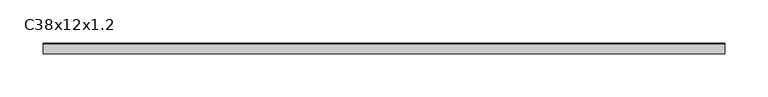
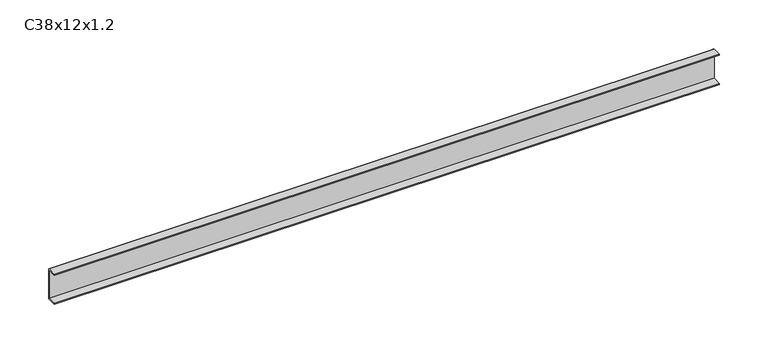
"""IFC4 building model written with IfcOpenShell, lengths in millimetres: proxy geometry, C38x12x1.2."""

import ifcopenshell
import ifcopenshell.guid

model = None  # the IFC model being written
_history = None  # IfcOwnerHistory: only IFC2X3 demands one
_inside = {}  # id of a spatial element -> (the spatial element, [elements in it])
_under = {}  # id of a project, library or spatial element -> (it, [spatial elements below it])
_declared = {}  # id of a project -> (the project, [libraries it declares])
_typed = {}  # id of a type object -> (the type object, [elements of that type])
_made_of = {}  # id of a material, layer set ... -> (it, [elements and type objects made of it])


def new_model(schema):
    """Start an empty IFC model of exactly this schema.

    Asked for "IFC4X3", IfcOpenShell would pick the latest addendum, in which some entities
    have other attributes; the version numbers below select the first issue.
    IFC2X3 requires an IfcOwnerHistory on every rooted entity: one is made here for all.
    """
    global model, _history
    if schema == "IFC4X3":
        model = ifcopenshell.file(schema_version=(4, 3, 0, 0))
    else:
        model = ifcopenshell.file(schema=schema)
    _inside.clear()
    _under.clear()
    _declared.clear()
    _typed.clear()
    _made_of.clear()
    _history = None
    if model.schema == "IFC2X3":
        org = make("IfcOrganization", Name="unknown")
        user = make(
            "IfcPersonAndOrganization",
            ThePerson=make("IfcPerson", FamilyName="unknown"),
            TheOrganization=org,
        )
        app = make(
            "IfcApplication",
            ApplicationDeveloper=org,
            Version="unknown",
            ApplicationFullName="unknown",
            ApplicationIdentifier="unknown",
        )
        _history = make(
            "IfcOwnerHistory",
            OwningUser=user,
            OwningApplication=app,
            ChangeAction="ADDED",
            CreationDate=0,
        )
    return model


def make(cls, **values):
    """One entity of the class cls with the attributes given. An attribute that is None is left unset."""
    return model.create_entity(
        cls, **{name: value for name, value in values.items() if value is not None}
    )


def rooted(cls, **values):
    """An entity with a GlobalId (a new one), such as an element, a storey or a relation."""
    return make(cls, GlobalId=ifcopenshell.guid.new(), OwnerHistory=_history, **values)


def si_unit(unit_type, name, prefix=None):
    """IfcSIUnit, for example si_unit("LENGTHUNIT", "METRE", prefix="MILLI")."""
    return make("IfcSIUnit", UnitType=unit_type, Prefix=prefix, Name=name)


def assignment(units):
    """IfcUnitAssignment: the units of a project."""
    return None if units is None else make("IfcUnitAssignment", Units=units)


def point(xyz):
    """IfcCartesianPoint."""
    return None if xyz is None else make("IfcCartesianPoint", Coordinates=xyz)


def direction(xyz):
    """IfcDirection."""
    return None if xyz is None else make("IfcDirection", DirectionRatios=xyz)


def frame(location, z_axis=None, x_axis=None):
    """IfcAxis2Placement3D, a coordinate frame: its origin and axes. An axis left out is left unset."""
    return make(
        "IfcAxis2Placement3D",
        Location=point(location),
        Axis=direction(z_axis),
        RefDirection=direction(x_axis),
    )


def frame_2d(location, x_axis=None):
    """IfcAxis2Placement2D, a coordinate frame in the plane: its origin and x axis."""
    return make(
        "IfcAxis2Placement2D", Location=point(location), RefDirection=direction(x_axis)
    )


def origin():
    """The frame at (0, 0, 0) with its axes left unset."""
    return frame((0.0, 0.0, 0.0))


def place(relative_to, where):
    """IfcLocalPlacement: puts the frame where relative to a parent placement (None: the world)."""
    return make(
        "IfcLocalPlacement", PlacementRelTo=relative_to, RelativePlacement=where
    )


def context(
    kind, dimensions, precision=None, world=None, true_north=None, identifier=None
):
    """IfcGeometricRepresentationContext, for example the 3D "Model" context."""
    return make(
        "IfcGeometricRepresentationContext",
        ContextIdentifier=identifier,
        ContextType=kind,
        CoordinateSpaceDimension=dimensions,
        Precision=precision,
        WorldCoordinateSystem=world,
        TrueNorth=true_north,
    )


def project(units=None, contexts=None):
    """IfcProject with its units and contexts."""
    return rooted(
        "IfcProject",
        Name="project",
        RepresentationContexts=contexts,
        UnitsInContext=assignment(units),
    )


def spatial(cls, under=None, at=None, **own):
    """A site, building, storey or space (cls), placed at a placement, below another one or the project."""
    s = rooted(cls, ObjectPlacement=at, **own)
    if under is not None:
        _under.setdefault(under.id(), (under, []))[1].append(s)
    return s


def polyline(points):
    """IfcPolyline through the points."""
    return make("IfcPolyline", Points=[point(p) for p in points])


def circle_curve(where, radius):
    """IfcCircle in the frame where."""
    return make("IfcCircle", Position=where, Radius=radius)


def trimmed(basis, trim1, trim2, sense, master):
    """IfcTrimmedCurve: the piece of a basis curve between two trims."""
    return make(
        "IfcTrimmedCurve",
        BasisCurve=basis,
        Trim1=trim1,
        Trim2=trim2,
        SenseAgreement=sense,
        MasterRepresentation=master,
    )


def segment(curve, same_sense, transition):
    """IfcCompositeCurveSegment."""
    return make(
        "IfcCompositeCurveSegment",
        Transition=transition,
        SameSense=same_sense,
        ParentCurve=curve,
    )


def composite_curve(segments, self_intersect=None):
    """IfcCompositeCurve: segments joined end to end."""
    return make("IfcCompositeCurve", Segments=segments, SelfIntersect=self_intersect)


def outline(outer, holes=None, kind="AREA"):
    """IfcArbitraryClosedProfileDef: a profile drawn as a closed curve; with holes, ...WithVoids."""
    if holes is None:
        return make("IfcArbitraryClosedProfileDef", ProfileType=kind, OuterCurve=outer)
    return make(
        "IfcArbitraryProfileDefWithVoids",
        ProfileType=kind,
        OuterCurve=outer,
        InnerCurves=holes,
    )


def extrude(swept, where, along, depth):
    """IfcExtrudedAreaSolid: the profile swept, set in the frame where, extruded along a direction by depth."""
    return make(
        "IfcExtrudedAreaSolid",
        SweptArea=swept,
        Position=where,
        ExtrudedDirection=direction(along),
        Depth=depth,
    )


def shape(context_of_items, identifier, shape_type, items):
    """IfcShapeRepresentation: the items that make up one representation, for example the "Body"."""
    return make(
        "IfcShapeRepresentation",
        ContextOfItems=context_of_items,
        RepresentationIdentifier=identifier,
        RepresentationType=shape_type,
        Items=items,
    )


def source(mapping_origin, context_of_items, identifier, shape_type, items):
    """IfcRepresentationMap: a shape defined once, which mapped items show again and again."""
    return make(
        "IfcRepresentationMap",
        MappingOrigin=mapping_origin,
        MappedRepresentation=shape(context_of_items, identifier, shape_type, items),
    )


def transform(
    local_origin,
    x_axis=None,
    y_axis=None,
    z_axis=None,
    scale=None,
    scale2=None,
    scale3=None,
    uniform=True,
):
    """IfcCartesianTransformationOperator3D, or its non-uniform kind. x_axis, y_axis, z_axis: its Axis1, 2, 3."""
    if uniform:
        return make(
            "IfcCartesianTransformationOperator3D",
            Axis1=direction(x_axis),
            Axis2=direction(y_axis),
            LocalOrigin=point(local_origin),
            Scale=scale,
            Axis3=direction(z_axis),
        )
    return make(
        "IfcCartesianTransformationOperator3DnonUniform",
        Axis1=direction(x_axis),
        Axis2=direction(y_axis),
        LocalOrigin=point(local_origin),
        Scale=scale,
        Axis3=direction(z_axis),
        Scale2=scale2,
        Scale3=scale3,
    )


def mapped(mapping_source, mapping_target):
    """IfcMappedItem: shows the shape of a source again, moved by a transform."""
    return make(
        "IfcMappedItem", MappingSource=mapping_source, MappingTarget=mapping_target
    )


def made_of(thing, what):
    """Note that an element or type object is made of a material, layer set ...; save() writes the relation."""
    if what is not None:
        _made_of.setdefault(what.id(), (what, []))[1].append(thing)
    return thing


def element(
    cls,
    number,
    at=None,
    inside=None,
    cuts=None,
    type_object=None,
    material=None,
    context=None,
    identifier="Body",
    shape_type=None,
    held_by="IfcProductDefinitionShape",
    body=None,
    shapes=None,
    **own,
):
    """One element of the class cls, such as IfcWall. Its Tag is "e" and its number.

    at: its placement. inside: the storey or other place that contains it. cuts: it is an
    opening in that element (IfcRelVoidsElement). A single representation is given by context,
    identifier, shape_type and body (its items); several are given by shapes. held_by: the class
    of the entity that holds the representations. save() writes the other relations.
    """
    e = rooted(cls, Tag="e%d" % number, ObjectPlacement=at, **own)
    if body is not None:
        shapes = [shape(context, identifier, shape_type, body)]
    if shapes is not None:
        e.Representation = make(held_by, Representations=shapes)
    if inside is not None:
        _inside.setdefault(inside.id(), (inside, []))[1].append(e)
    if cuts is not None:
        rooted(
            "IfcRelVoidsElement", RelatingBuildingElement=cuts, RelatedOpeningElement=e
        )
    if type_object is not None:
        _typed.setdefault(type_object.id(), (type_object, []))[1].append(e)
    return made_of(e, material)


def aggregate(whole, parts):
    """IfcRelAggregates: a whole, such as a stair, and the parts it consists of."""
    return rooted("IfcRelAggregates", RelatingObject=whole, RelatedObjects=parts)


def save(model, path):
    """Write the relations noted so far, then the file.

    IfcRelAggregates (storeys below a building ...), IfcRelContainedInSpatialStructure (elements
    in a storey), IfcRelDefinesByType, IfcRelAssociatesMaterial and IfcRelDeclares: one each for
    every whole, place, type object, material and project.
    """
    for whole, parts in _under.values():
        aggregate(whole, parts)
    for where, things in _inside.values():
        rooted(
            "IfcRelContainedInSpatialStructure",
            RelatedElements=things,
            RelatingStructure=where,
        )
    for kind, things in _typed.values():
        rooted("IfcRelDefinesByType", RelatedObjects=things, RelatingType=kind)
    for what, things in _made_of.values():
        rooted("IfcRelAssociatesMaterial", RelatedObjects=things, RelatingMaterial=what)
    for by, libraries in _declared.values():
        rooted("IfcRelDeclares", RelatingContext=by, RelatedDefinitions=libraries)
    model.write(path)


def c38x12x1_2_4be1bfae(model_context):
    return source(origin(), model_context, "Body", "SweptSolid", [
        extrude(outline(composite_curve([segment(polyline([(-6.0, 36.8), (-6.0, 38.0), (4.8, 38.0)]), True, "CONTINUOUS"), segment(trimmed(circle_curve(frame_2d((4.8, 36.8)), 1.2), [point((4.8, 38.0))], [point((6.0, 36.8))], False, "CARTESIAN"), True, "CONTINUOUS"), segment(polyline([(6.0, 36.8), (6.0, 1.2)]), True, "CONTINUOUS"), segment(trimmed(circle_curve(frame_2d((4.8, 1.2)), 1.2), [point((6.0, 1.2))], [point((4.8, 0.0))], False, "CARTESIAN"), True, "CONTINUOUS"), segment(polyline([(4.8, 0.0), (-6.0, 0.0), (-6.0, 1.2), (4.8, 1.2), (4.8, 36.8), (-6.0, 36.8)]), True, "CONTINUOUS")], self_intersect=False)), frame((0.0, 0.0, 0.0), z_axis=(1.0, 0.0, 0.0), x_axis=(0.0, 1.0, 0.0)), (0.0, 0.0, 1.0), 790.0),
    ])


if __name__ == "__main__":
    model = new_model("IFC4")
    model_context = context("Model", 3, world=origin())
    ifc_project = project(units=[si_unit("LENGTHUNIT", "METRE", prefix="MILLI")], contexts=[model_context])
    site = spatial("IfcSite", under=ifc_project)
    building = spatial("IfcBuilding", under=site)
    placement = place(None, origin())
    c38x12x1_2_shape = c38x12x1_2_4be1bfae(model_context)
    element("IfcBuildingElementProxy", 1, Name="C38x12x1.2", ObjectType="C38x12x1.2", at=placement, inside=building, context=model_context, shape_type="MappedRepresentation", body=[
        mapped(c38x12x1_2_shape, transform((0.0, 0.0, 0.0), x_axis=(1.0, 0.0, 0.0), y_axis=(0.0, 1.0, 0.0), z_axis=(0.0, 0.0, 1.0))),
    ])
    save(model, "model.ifc")
